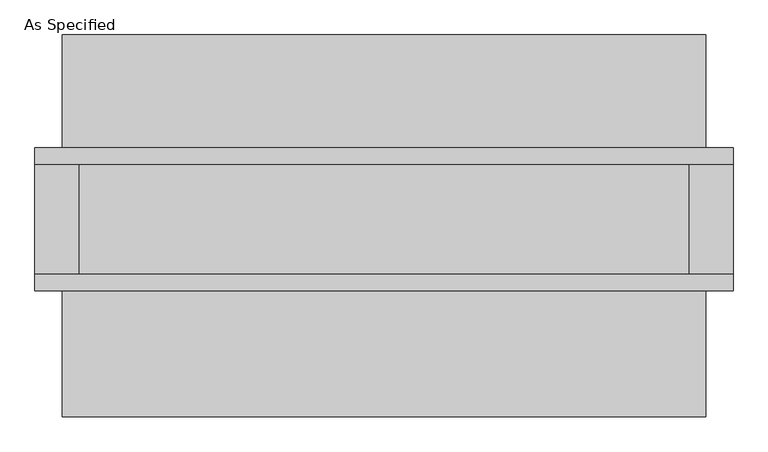
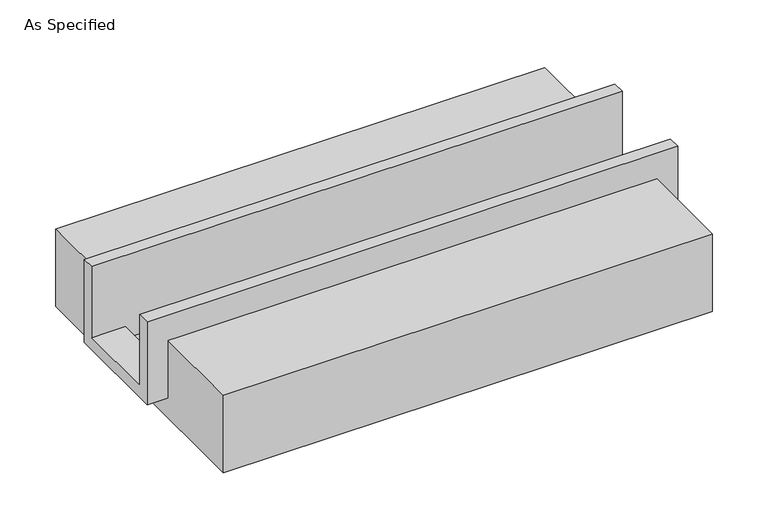
"""IFC4 building model written with IfcOpenShell, lengths in millimetres: proxy geometry, As Specified."""

from ifc_helpers import new_model, si_unit, frame, origin, place, context, project, spatial, polyline, outline, extrude, faceted_brep, source, transform, mapped, element, save


def as_specified_24277612(model_context):
    return source(origin(), model_context, "Body", "SolidModel", [
        faceted_brep([(-1612.9, 285.75, 139.7), (-1612.9, 361.95, 139.7), (-1612.9, 361.95, -393.7), (-1612.9, -298.45, -393.7), (-1612.9, -298.45, 139.7), (-1612.9, -222.25, 139.7), (-1612.9, -222.25, -317.5), (-1612.9, 285.75, -317.5), (1612.9, 285.75, 139.7), (1612.9, 285.75, -317.5), (1612.9, -222.25, -317.5), (1612.9, -222.25, 139.7), (1612.9, -298.45, 139.7), (1612.9, -298.45, -393.7), (1612.9, 361.95, -393.7), (1612.9, 361.95, 139.7), (1409.7, -222.25, -393.7), (1409.7, 285.75, -393.7), (-1409.7, 285.75, -393.7), (-1409.7, -222.25, -393.7), (1409.7, -222.25, -317.5), (-1409.7, -222.25, -317.5), (-1409.7, 285.75, -317.5), (1409.7, 285.75, -317.5)], [[[0, 1, 2, 3, 4, 5, 6, 7]], [[8, 9, 10, 11, 12, 13, 14, 15]], [[1, 0, 8, 15]], [[2, 1, 15, 14]], [[3, 2, 14, 13], [16, 17, 18, 19]], [[4, 3, 13, 12]], [[5, 4, 12, 11]], [[6, 5, 11, 10, 20, 16, 19, 21]], [[7, 6, 21, 22]], [[10, 9, 23, 20]], [[0, 7, 22, 18, 17, 23, 9, 8]], [[16, 20, 23, 17]], [[21, 19, 18, 22]]]),
        extrude(outline(polyline([(882.65, -25.4), (882.65, -523.9742188), (-882.65, -523.9742188), (-882.65, -25.4), (-298.45, -25.4), (-298.45, -393.7), (361.95, -393.7), (361.95, -25.4), (882.65, -25.4)])), frame((-1485.9, 0.0, 0.0), z_axis=(1.0, 0.0, 0.0), x_axis=(0.0, 1.0, 0.0)), (0.0, 0.0, 1.0), 2971.8),
    ])


if __name__ == "__main__":
    model = new_model("IFC4")
    model_context = context("Model", 3, world=origin())
    ifc_project = project(units=[si_unit("LENGTHUNIT", "METRE", prefix="MILLI")], contexts=[model_context])
    site = spatial("IfcSite", under=ifc_project)
    building = spatial("IfcBuilding", under=site)
    placement = place(None, origin())
    as_specified_shape = as_specified_24277612(model_context)
    element("IfcBuildingElementProxy", 1, Name="As Specified", ObjectType="As Specified", at=placement, inside=building, context=model_context, shape_type="MappedRepresentation", body=[
        mapped(as_specified_shape, transform((0.0, 0.0, 0.0), x_axis=(1.0, 0.0, 0.0), y_axis=(0.0, 1.0, 0.0), z_axis=(0.0, 0.0, 1.0))),
    ])
    save(model, "model.ifc")
